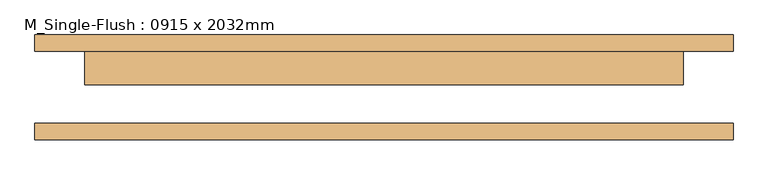
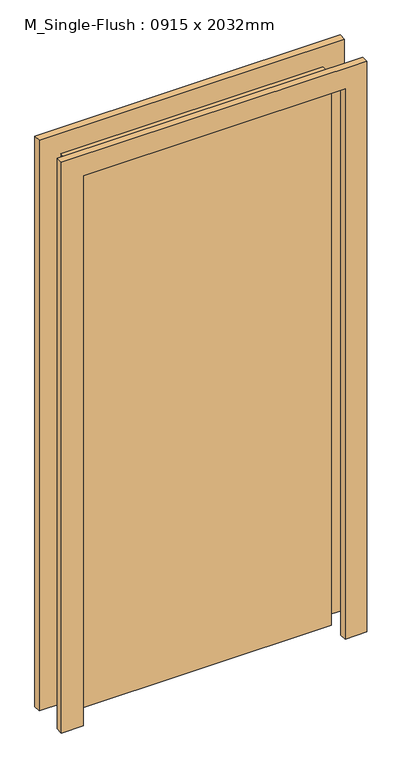
"""IFC4 building model written with IfcOpenShell, lengths in millimetres: door geometry, M_Single-Flush : 0915 x 2032mm."""

from ifc_helpers import new_model, si_unit, frame, origin, origin_with_axes, place, context, project, spatial, polyline, outline, extrude, source, transform, mapped, element, save


def m_single_flush_0915_x_2032mm_fabef88a(model_context):
    return source(origin(), model_context, "Body", "SweptSolid", [
        extrude(outline(polyline([(2108.0, -533.5), (0.0, -533.5), (0.0, -457.5), (2032.0, -457.5), (2032.0, 457.5), (0.0, 457.5), (0.0, 533.5), (2108.0, 533.5), (2108.0, -533.5)])), frame((0.0, 55.0, 0.0), z_axis=(0.0, 1.0, 0.0), x_axis=(0.0, 0.0, 1.0)), (0.0, 0.0, 1.0), 25.0),
        extrude(outline(polyline([(2108.0, 533.5), (2108.0, -533.5), (0.0, -533.5), (0.0, -457.5), (2032.0, -457.5), (2032.0, 457.5), (0.0, 457.5), (0.0, 533.5), (2108.0, 533.5)])), frame((0.0, -80.0, 0.0), z_axis=(0.0, 1.0, 0.0), x_axis=(0.0, 0.0, 1.0)), (0.0, 0.0, 1.0), 25.0),
        extrude(outline(polyline([(457.5, 4.0), (-457.5, 4.0), (-457.5, 55.0), (457.5, 55.0), (457.5, 4.0)])), origin_with_axes(), (0.0, 0.0, 1.0), 2032.0),
    ])


if __name__ == "__main__":
    model = new_model("IFC4")
    model_context = context("Model", 3, world=origin())
    ifc_project = project(units=[si_unit("LENGTHUNIT", "METRE", prefix="MILLI")], contexts=[model_context])
    site = spatial("IfcSite", under=ifc_project)
    building = spatial("IfcBuilding", under=site)
    placement = place(None, origin())
    m_single_flush_0915_x_2032mm_shape = m_single_flush_0915_x_2032mm_fabef88a(model_context)
    element("IfcDoor", 1, ObjectType="M_Single-Flush : 0915 x 2032mm", at=placement, inside=building, context=model_context, shape_type="MappedRepresentation", body=[
        mapped(m_single_flush_0915_x_2032mm_shape, transform((0.0, 0.0, 0.0), x_axis=(1.0, 0.0, 0.0), y_axis=(0.0, 1.0, 0.0), z_axis=(0.0, 0.0, 1.0))),
    ])
    save(model, "model.ifc")
